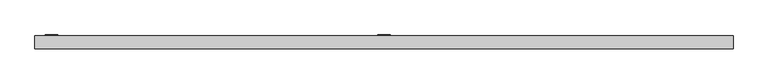
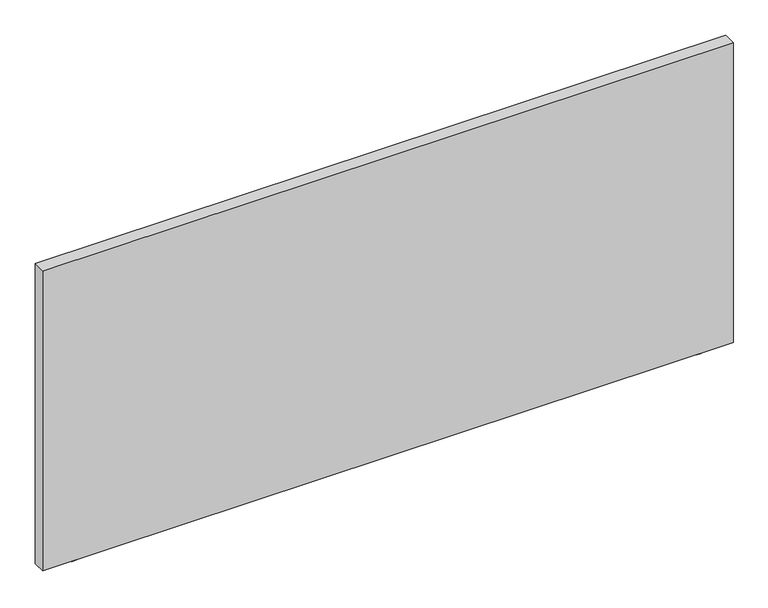
"""IFC4 building model written with IfcOpenShell, lengths in millimetres: furniture geometry."""

from ifc_helpers import new_model, si_unit, frame, origin, place, context, project, spatial, polyline, outline, extrude, source, transform, mapped, element, save


def furniture_a7f9a0e6(model_context):
    return source(origin(), model_context, "Body", "SweptSolid", [
        extrude(outline(polyline([(1532.2488924, -11.8668799), (1533.525, -16.6293799), (1532.2488924, -21.391881), (1528.7625, -24.8782712), (1524.0, -26.154381), (1519.2375, -24.8782712), (1515.7511122, -21.391881), (1514.475, -16.6293799), (1515.7511122, -11.8668799), (1519.2375, -8.3804881), (1524.0, -7.1043799), (1528.7625, -8.3804881), (1532.2488924, -11.8668799)])), frame((0.0, 0.0, 20.0914001), z_axis=(0.0, 0.0, 1.0), x_axis=(1.0, 0.0, 0.0)), (0.0, 0.0, 1.0), 1.2699999),
        extrude(outline(polyline([(1518.5007354, -7.1043799), (1529.4992601, -7.1043799), (1534.9985247, -16.6293799), (1529.4992601, -26.154381), (1518.5007354, -26.154381), (1513.0014798, -16.6293799), (1518.5007354, -7.1043799)])), frame((0.0, 0.0, 16.129), z_axis=(0.0, 0.0, 1.0), x_axis=(1.0, 0.0, 0.0)), (0.0, 0.0, 1.0), 3.9624001),
        extrude(outline(polyline([(67.9511076, -11.8668799), (71.4375, -8.3804881), (76.2, -7.1043799), (80.9625, -8.3804881), (84.4488878, -11.8668799), (85.725, -16.6293799), (84.4488878, -21.391881), (80.9625, -24.8782712), (76.2, -26.154381), (71.4375, -24.8782712), (67.9511076, -21.391881), (66.675, -16.6293799), (67.9511076, -11.8668799)])), frame((0.0, 0.0, 20.0914001), z_axis=(0.0, 0.0, 1.0), x_axis=(1.0, 0.0, 0.0)), (0.0, 0.0, 1.0), 1.2699999),
        extrude(outline(polyline([(81.6992646, -7.1043799), (87.1985202, -16.6293799), (81.6992646, -26.154381), (70.7007399, -26.154381), (65.2014753, -16.6293799), (70.7007399, -7.1043799), (81.6992646, -7.1043799)])), frame((0.0, 0.0, 16.129), z_axis=(0.0, 0.0, 1.0), x_axis=(1.0, 0.0, 0.0)), (0.0, 0.0, 1.0), 3.9624001),
        extrude(outline(polyline([(814.3875, -1.89738), (785.8125, -1.89738), (785.8125, 0.0), (814.3875, 0.0), (814.3875, -1.89738)])), frame((0.0, 0.0, 118.4910023), z_axis=(0.0, 0.0, 1.0), x_axis=(1.0, 0.0, 0.0)), (0.0, 0.0, 1.0), 365.2012096),
        extrude(outline(polyline([(52.3875, -1.89738), (23.8125, -1.89738), (23.8125, 0.0), (52.3875, 0.0), (52.3875, -1.89738)])), frame((0.0, 0.0, 118.4910023), z_axis=(0.0, 0.0, 1.0), x_axis=(1.0, 0.0, 0.0)), (0.0, 0.0, 1.0), 365.2012096),
        extrude(outline(polyline([(1600.2, -1.89738), (1600.2, -31.6153804), (0.0, -31.6153804), (0.0, -1.89738), (1600.2, -1.89738)])), frame((0.0, 0.0, 21.3614), z_axis=(0.0, 0.0, 1.0), x_axis=(1.0, 0.0, 0.0)), (0.0, 0.0, 1.0), 735.3300156),
    ])


if __name__ == "__main__":
    model = new_model("IFC4")
    model_context = context("Model", 3, world=origin())
    ifc_project = project(units=[si_unit("LENGTHUNIT", "METRE", prefix="MILLI")], contexts=[model_context])
    site = spatial("IfcSite", under=ifc_project)
    building = spatial("IfcBuilding", under=site)
    placement = place(None, origin())
    furniture_shape = furniture_a7f9a0e6(model_context)
    element("IfcFurniture", 1, at=placement, inside=building, context=model_context, shape_type="MappedRepresentation", body=[
        mapped(furniture_shape, transform((0.0, 0.0, 0.0), x_axis=(1.0, 0.0, 0.0), y_axis=(0.0, 1.0, 0.0), z_axis=(0.0, 0.0, 1.0))),
    ])
    save(model, "model.ifc")
